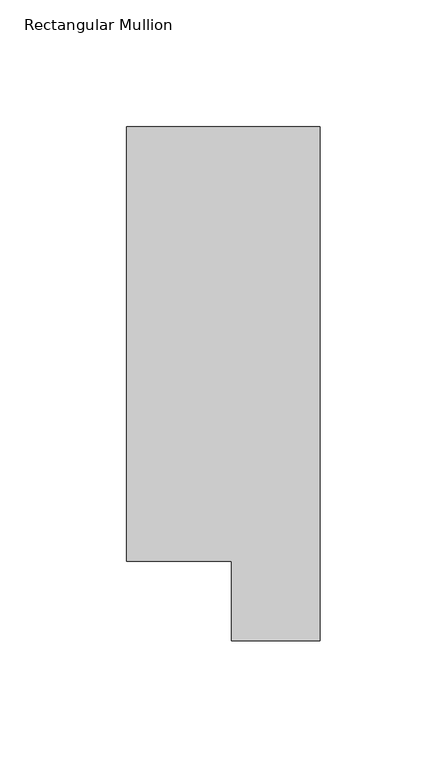
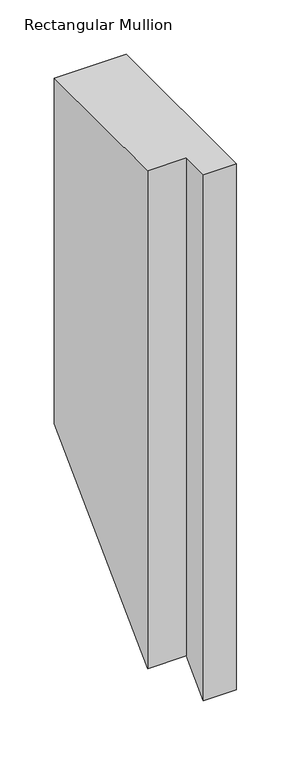
"""IFC4 building model written with IfcOpenShell, lengths in millimetres: member geometry, Rectangular Mullion."""

from ifc_helpers import new_model, si_unit, origin, place, context, project, spatial, faceted_brep, source, transform, mapped, element, save


def rectangular_mullion_ed0e04f6(model_context):
    return source(origin(), model_context, "Body", "Brep", [
        faceted_brep([(0.0, 222.0301313, 0.0), (-76.2, 222.0301313, 0.0), (-76.2, 50.820278, 0.0), (-34.9123, 50.820278, 0.0), (-34.9123, 19.5667312, 0.0), (0.0, 19.5667312, 0.0), (0.0, 222.0301313, -387.5698688), (-76.2, 222.0301313, -387.5698687), (-76.2, 50.820278, -558.779722), (-34.9123, 50.820278, -558.779722), (-34.9123, 19.5667312, -590.0332687), (0.0, 19.5667312, -590.0332687)], [[[0, 1, 2, 3, 4, 5]], [[1, 0, 6, 7]], [[2, 1, 7, 8]], [[3, 2, 8, 9]], [[4, 3, 9, 10]], [[5, 4, 10, 11]], [[0, 5, 11, 6]], [[6, 11, 10, 9, 8, 7]]]),
    ])


if __name__ == "__main__":
    model = new_model("IFC4")
    model_context = context("Model", 3, world=origin())
    ifc_project = project(units=[si_unit("LENGTHUNIT", "METRE", prefix="MILLI")], contexts=[model_context])
    site = spatial("IfcSite", under=ifc_project)
    building = spatial("IfcBuilding", under=site)
    placement = place(None, origin())
    rectangular_mullion_shape = rectangular_mullion_ed0e04f6(model_context)
    element("IfcMember", 1, ObjectType="Rectangular Mullion", at=placement, inside=building, context=model_context, shape_type="MappedRepresentation", body=[
        mapped(rectangular_mullion_shape, transform((0.0, 0.0, 0.0), x_axis=(1.0, 0.0, 0.0), y_axis=(0.0, 1.0, 0.0), z_axis=(0.0, 0.0, 1.0))),
    ])
    save(model, "model.ifc")
